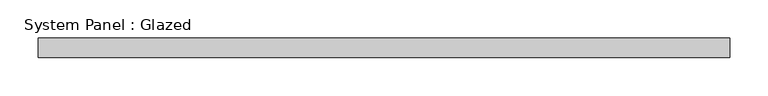
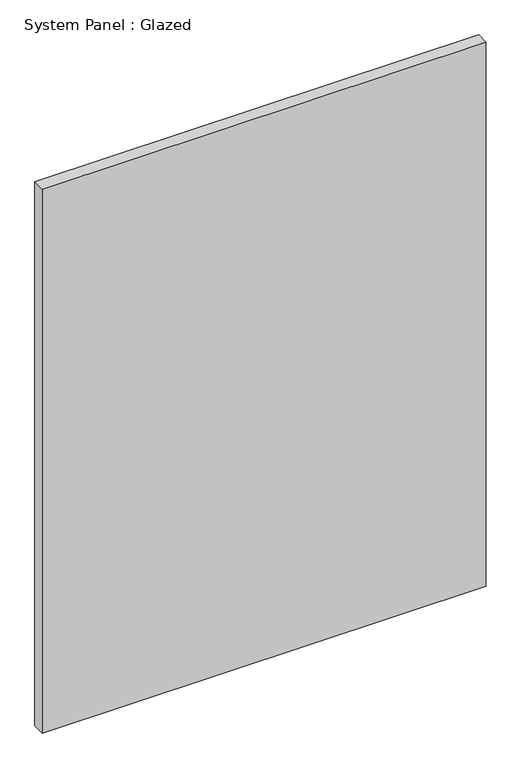
"""IFC4 building model written with IfcOpenShell, lengths in millimetres: plate geometry, System Panel : Glazed."""

from ifc_helpers import new_model, si_unit, origin, origin_with_axes, place, context, project, spatial, polyline, outline, extrude, source, transform, mapped, element, save


def system_panel_glazed_4f2fc21a(model_context):
    return source(origin(), model_context, "Body", "SweptSolid", [
        extrude(outline(polyline([(450.8501903, 25.4), (-450.8501903, 25.4), (-450.8501903, 50.8), (450.8501903, 50.8), (450.8501903, 25.4)])), origin_with_axes(), (0.0, 0.0, 1.0), 1168.4),
    ])


if __name__ == "__main__":
    model = new_model("IFC4")
    model_context = context("Model", 3, world=origin())
    ifc_project = project(units=[si_unit("LENGTHUNIT", "METRE", prefix="MILLI")], contexts=[model_context])
    site = spatial("IfcSite", under=ifc_project)
    building = spatial("IfcBuilding", under=site)
    placement = place(None, origin())
    system_panel_glazed_shape = system_panel_glazed_4f2fc21a(model_context)
    element("IfcPlate", 1, ObjectType="System Panel : Glazed", at=placement, inside=building, context=model_context, shape_type="MappedRepresentation", body=[
        mapped(system_panel_glazed_shape, transform((0.0, 0.0, 0.0), x_axis=(1.0, 0.0, 0.0), y_axis=(0.0, 1.0, 0.0), z_axis=(0.0, 0.0, 1.0))),
    ])
    save(model, "model.ifc")
